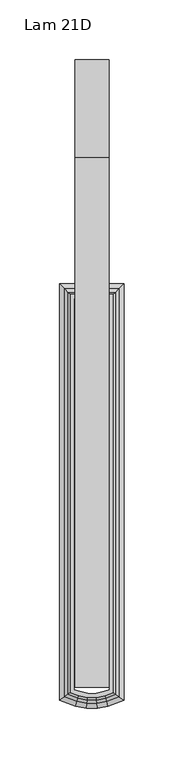
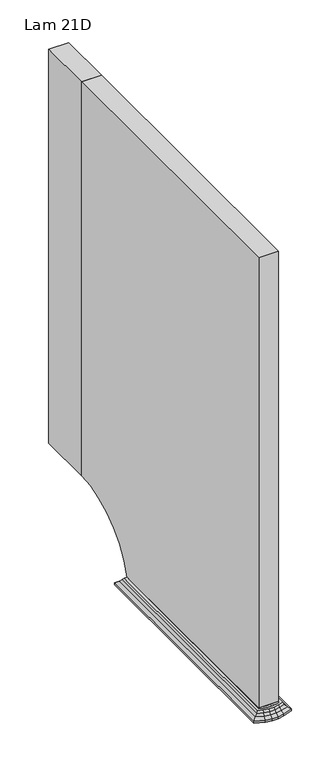
"""IFC4 building model written with IfcOpenShell, lengths in millimetres: furniture geometry, Lam 21D."""

from ifc_helpers import new_model, si_unit, point, frame, frame_2d, origin, place, context, project, spatial, polyline, circle_curve, trimmed, segment, composite_curve, outline, extrude, faceted_brep, source, transform, mapped, element, save
from ifc_brep_helpers import plane_surface, cylinder_surface, advanced_brep


def lam_21d_27dc5985(model_context):
    return source(origin(), model_context, "Body", "SolidModel", [
        extrude(outline(composite_curve([segment(polyline([(104.902, 704.85), (549.402, 704.85), (549.402, 101.6)]), True, "CONTINUOUS"), segment(trimmed(circle_curve(frame_2d((549.402, -17.4625)), 119.0625), [point((549.402, 101.6))], [point((435.102, 15.875))], True, "CARTESIAN"), True, "CONTINUOUS"), segment(polyline([(435.102, 15.875), (104.902, 15.875), (104.902, 704.85)]), True, "CONTINUOUS")], self_intersect=False)), frame((-419.89502, 0.0, 0.0), z_axis=(1.0, 0.0, 0.0), x_axis=(0.0, 1.0, 0.0)), (0.0, 0.0, 1.0), 28.575),
        extrude(outline(polyline([(-391.32002, 631.952), (-391.32002, 549.402), (-419.89502, 549.402), (-419.89502, 631.952), (-391.32002, 631.952)])), frame((0.0, 0.0, 101.6), z_axis=(0.0, 0.0, 1.0), x_axis=(1.0, 0.0, 0.0)), (0.0, 0.0, 1.0), 603.25),
        faceted_brep([(-382.9640099, 439.6171478, 9.5249998), (-385.628151, 436.9530066, 12.6999996), (-385.628151, 99.1649634, 12.6999996), (-382.9640099, 97.2995116, 9.5249998), (-378.60732, 443.9738377, 6.3596793), (-378.60732, 94.2489245, 6.3596793), (-378.60732, 443.9738377, 3.1861969), (-378.60732, 94.2489245, 3.1861969), (-391.4236385, 431.1575192, 15.875), (-391.4236385, 431.1575192, 3.1861969), (-391.4236385, 103.2230074, 3.1861969), (-391.4236385, 103.2230074, 15.875), (-387.4612384, 435.1199193, 15.875), (-387.4612384, 100.4485049, 15.875), (-393.9799196, 96.1251682, 12.6999996), (-393.2444121, 93.5577512, 9.5249998), (-392.0416312, 89.3592352, 6.3596793), (-392.0416312, 89.3592352, 3.1861969), (-395.5799192, 101.7102449, 3.1861969), (-395.5799192, 101.7102449, 15.875), (-394.4859925, 97.8917035, 15.875), (-401.8314661, 94.460331, 12.6999996), (-401.55212, 91.7961899, 9.5249998), (-401.0953033, 87.4395, 6.3596793), (-401.0953033, 87.4395, 3.1861969), (-402.4391466, 100.2558185, 3.1861969), (-402.4391466, 100.2558185, 15.875), (-402.0236727, 96.2934184, 15.875), (-409.6031447, 94.460331, 12.6999996), (-409.8824908, 91.7961899, 9.5249998), (-410.3393075, 87.4395, 6.3596793), (-410.3393075, 87.4395, 3.1861969), (-408.9954643, 100.2558185, 3.1861969), (-408.9954643, 100.2558185, 15.875), (-409.4109381, 96.2934184, 15.875), (-417.4546912, 96.1251682, 12.6999996), (-418.1901987, 93.5577512, 9.5249998), (-419.3929796, 89.3592352, 6.3596793), (-419.3929796, 89.3592352, 3.1861969), (-415.8546916, 101.7102449, 3.1861969), (-415.8546916, 101.7102449, 15.875), (-416.9486183, 97.8917035, 15.875), (-426.073528, 99.2621683, 12.6999996), (-428.7376692, 97.3967165, 9.5249998), (-433.0943591, 94.3461294, 6.3596793), (-433.0943591, 94.3461294, 3.1861969), (-420.2780405, 103.3202123, 3.1861969), (-420.2780405, 103.3202123, 15.875), (-424.2404407, 100.5457098, 15.875), (-426.073528, 436.9530066, 12.6999996), (-428.7376692, 439.6171478, 9.5249998), (-433.0943591, 443.9738377, 6.3596793), (-433.0943591, 443.9738377, 3.1861969), (-420.2780405, 431.1575192, 3.1861969), (-420.2780405, 431.1575192, 15.875), (-424.2404407, 435.1199193, 15.875)], [[[0, 1, 2, 3]], [[4, 0, 3, 5]], [[6, 4, 5, 7]], [[8, 9, 10, 11]], [[1, 12, 13, 2]], [[3, 2, 14, 15]], [[5, 3, 15, 16]], [[7, 5, 16, 17]], [[11, 10, 18, 19]], [[2, 13, 20, 14]], [[15, 14, 21, 22]], [[16, 15, 22, 23]], [[17, 16, 23, 24]], [[19, 18, 25, 26]], [[14, 20, 27, 21]], [[22, 21, 28, 29]], [[23, 22, 29, 30]], [[24, 23, 30, 31]], [[26, 25, 32, 33]], [[21, 27, 34, 28]], [[29, 28, 35, 36]], [[30, 29, 36, 37]], [[31, 30, 37, 38]], [[33, 32, 39, 40]], [[28, 34, 41, 35]], [[36, 35, 42, 43]], [[37, 36, 43, 44]], [[38, 37, 44, 45]], [[40, 39, 46, 47]], [[35, 41, 48, 42]], [[43, 42, 49, 50]], [[44, 43, 50, 51]], [[45, 44, 51, 52]], [[47, 46, 53, 54]], [[42, 48, 55, 49]], [[50, 49, 1, 0]], [[51, 50, 0, 4]], [[52, 51, 4, 6]], [[38, 45, 52, 6, 7, 17, 24, 31], [9, 53, 46, 39, 32, 25, 18, 10]], [[54, 53, 9, 8]], [[12, 55, 48, 41, 34, 27, 20, 13], [40, 47, 54, 8, 11, 19, 26, 33]], [[49, 55, 12, 1]]]),
        advanced_brep(
        [(-413.22752, 123.952, 15.875), (-397.98752, 123.952, 15.875), (-400.84502, 123.952, 15.875), (-410.37002, 123.952, 15.875), (-413.22752, 123.952, 9.525), (-397.98752, 123.952, 9.525), (-418.30752, 123.952, 0.0), (-392.90752, 123.952, 0.0), (-392.90752, 123.952, 9.525), (-418.30752, 123.952, 9.525), (-405.60752, 123.952, 0.0), (-410.37002, 123.952, 31.75), (-400.84502, 123.952, 31.75), (-405.60752, 123.952, 31.75)],
        [
            (0, 1, circle_curve(frame((-405.60752, 123.952, 15.875), z_axis=(0.0, 0.0, 1.0), x_axis=(1.0, 0.0, 0.0)), 7.62)),
            (1, 2),
            (2, 3, circle_curve(frame((-405.60752, 123.952, 15.875), z_axis=(0.0, 0.0, -1.0), x_axis=(1.0, 0.0, 0.0)), 4.7625)),
            (3, 0),
            (1, 0, circle_curve(frame((-405.60752, 123.952, 15.875), z_axis=(0.0, 0.0, 1.0), x_axis=(1.0, 0.0, 0.0)), 7.62)),
            (3, 2, circle_curve(frame((-405.60752, 123.952, 15.875), z_axis=(0.0, 0.0, -1.0), x_axis=(1.0, 0.0, 0.0)), 4.7625)),
            (4, 5, circle_curve(frame((-405.60752, 123.952, 9.525), z_axis=(0.0, 0.0, 1.0), x_axis=(1.0, 0.0, 0.0)), 7.62)),
            (5, 1),
            (0, 4),
            (5, 4, circle_curve(frame((-405.60752, 123.952, 9.525), z_axis=(0.0, 0.0, 1.0), x_axis=(1.0, 0.0, 0.0)), 7.62)),
            (6, 7, circle_curve(frame((-405.60752, 123.952, 0.0), z_axis=(0.0, 0.0, 1.0), x_axis=(1.0, 0.0, 0.0)), 12.7)),
            (7, 8),
            (8, 9, circle_curve(frame((-405.60752, 123.952, 9.525), z_axis=(0.0, 0.0, -1.0), x_axis=(1.0, 0.0, 0.0)), 12.7)),
            (9, 6),
            (7, 6, circle_curve(frame((-405.60752, 123.952, 0.0), z_axis=(0.0, 0.0, 1.0), x_axis=(1.0, 0.0, 0.0)), 12.7)),
            (9, 8, circle_curve(frame((-405.60752, 123.952, 9.525), z_axis=(0.0, 0.0, -1.0), x_axis=(1.0, 0.0, 0.0)), 12.7)),
            (10, 7),
            (6, 10),
            (8, 5),
            (4, 9),
            (11, 12, circle_curve(frame((-405.60752, 123.952, 31.75), z_axis=(0.0, 0.0, 1.0), x_axis=(1.0, 0.0, 0.0)), 4.7625)),
            (12, 13),
            (13, 11),
            (12, 11, circle_curve(frame((-405.60752, 123.952, 31.75), z_axis=(0.0, 0.0, 1.0), x_axis=(1.0, 0.0, 0.0)), 4.7625)),
            (2, 12),
            (11, 3),
        ],
        [
            plane_surface(frame((-405.60752, 123.952, 15.875), z_axis=(0.0, 0.0, 1.0), x_axis=(1.0, 0.0, 0.0))),
            cylinder_surface(frame((-405.60752, 123.952, 35.439326), z_axis=(0.0, 0.0, -1.0), x_axis=(1.0, 0.0, 0.0)), 7.62),
            cylinder_surface(frame((-405.60752, 123.952, 35.439326), z_axis=(0.0, 0.0, -1.0), x_axis=(1.0, 0.0, 0.0)), 12.7),
            plane_surface(frame((-405.60752, 123.952, 0.0), z_axis=(0.0, 0.0, -1.0), x_axis=(1.0, 0.0, 0.0))),
            plane_surface(frame((-405.60752, 123.952, 9.525), z_axis=(0.0, 0.0, 1.0), x_axis=(1.0, 0.0, 0.0))),
            plane_surface(frame((-405.60752, 123.952, 31.75), z_axis=(0.0, 0.0, 1.0), x_axis=(1.0, 0.0, 0.0))),
            cylinder_surface(frame((-405.60752, 123.952, 35.439326), z_axis=(0.0, 0.0, -1.0), x_axis=(1.0, 0.0, 0.0)), 4.7625),
        ],
        [
            (0, [[1, 2, 3, 4]]),
            (0, [[5, -4, 6, -2]]),
            (1, [[7, 8, -1, 9]]),
            (1, [[10, -9, -5, -8]]),
            (2, [[11, 12, 13, 14]]),
            (2, [[15, -14, 16, -12]]),
            (3, [[17, -11, 18]]),
            (3, [[-18, -15, -17]]),
            (4, [[-13, 19, -7, 20]]),
            (4, [[-16, -20, -10, -19]]),
            (5, [[21, 22, 23]]),
            (5, [[24, -23, -22]]),
            (6, [[-3, 25, -21, 26]]),
            (6, [[-6, -26, -24, -25]]),
        ],
    ),
    ])


if __name__ == "__main__":
    model = new_model("IFC4")
    model_context = context("Model", 3, world=origin())
    ifc_project = project(units=[si_unit("LENGTHUNIT", "METRE", prefix="MILLI")], contexts=[model_context])
    site = spatial("IfcSite", under=ifc_project)
    building = spatial("IfcBuilding", under=site)
    placement = place(None, origin())
    lam_21d_shape = lam_21d_27dc5985(model_context)
    element("IfcFurniture", 1, ObjectType="Lam 21D", at=placement, inside=building, context=model_context, shape_type="MappedRepresentation", body=[
        mapped(lam_21d_shape, transform((0.0, 0.0, 0.0), x_axis=(1.0, 0.0, 0.0), y_axis=(0.0, 1.0, 0.0), z_axis=(0.0, 0.0, 1.0))),
    ])
    save(model, "model.ifc")
